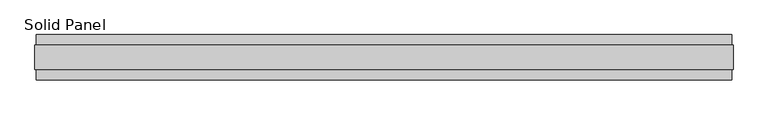
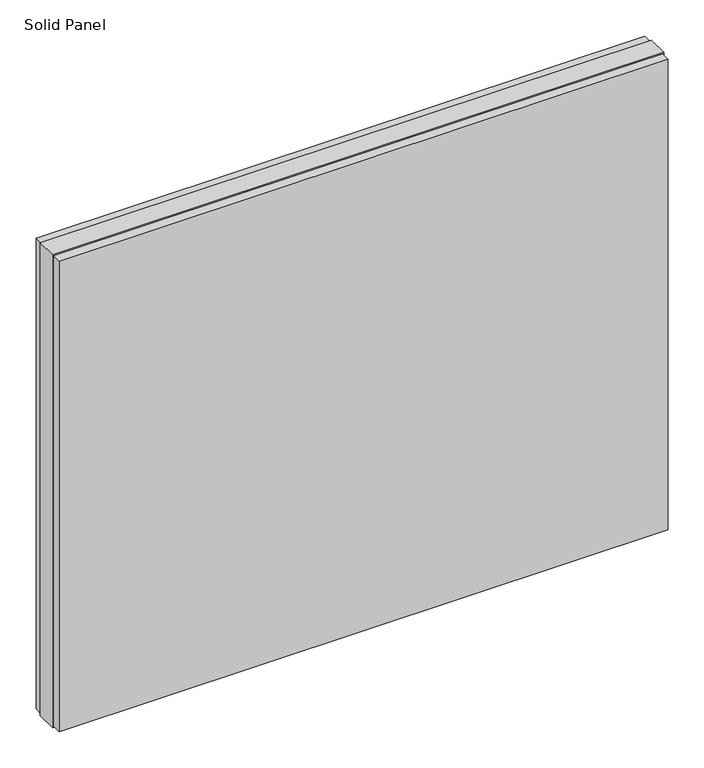
"""IFC4 building model written with IfcOpenShell, lengths in millimetres: plate geometry, Solid Panel."""

from ifc_helpers import new_model, si_unit, frame, origin, origin_with_axes, place, context, project, spatial, polyline, outline, extrude, source, transform, mapped, element, save


def solid_panel_b5163d42(model_context):
    return source(origin(), model_context, "Body", "SweptSolid", [
        extrude(outline(polyline([(742.8515177, -48.4531867), (-742.8515177, -48.4531867), (-742.8515177, -25.9961), (742.8515177, -25.9961), (742.8515177, -48.4531867)])), frame((0.0, 0.0, 3.0099), z_axis=(0.0, 0.0, 1.0), x_axis=(1.0, 0.0, 0.0)), (0.0, 0.0, 1.0), 1213.1802),
        extrude(outline(polyline([(742.8515177, 25.9977), (-742.8515177, 25.9977), (-742.8515177, 48.4547867), (742.8515177, 48.4547867), (742.8515177, 25.9977)])), frame((0.0, 0.0, 3.0099), z_axis=(0.0, 0.0, 1.0), x_axis=(1.0, 0.0, 0.0)), (0.0, 0.0, 1.0), 1213.1802),
        extrude(outline(polyline([(745.8487177, -25.9961), (-745.8487177, -25.9961), (-745.8487177, 25.9977), (745.8487177, 25.9977), (745.8487177, -25.9961)])), origin_with_axes(), (0.0, 0.0, 1.0), 1219.2),
    ])


if __name__ == "__main__":
    model = new_model("IFC4")
    model_context = context("Model", 3, world=origin())
    ifc_project = project(units=[si_unit("LENGTHUNIT", "METRE", prefix="MILLI")], contexts=[model_context])
    site = spatial("IfcSite", under=ifc_project)
    building = spatial("IfcBuilding", under=site)
    placement = place(None, origin())
    solid_panel_shape = solid_panel_b5163d42(model_context)
    element("IfcPlate", 1, ObjectType="Solid Panel", at=placement, inside=building, context=model_context, shape_type="MappedRepresentation", body=[
        mapped(solid_panel_shape, transform((0.0, 0.0, 0.0), x_axis=(1.0, 0.0, 0.0), y_axis=(0.0, 1.0, 0.0), z_axis=(0.0, 0.0, 1.0))),
    ])
    save(model, "model.ifc")
